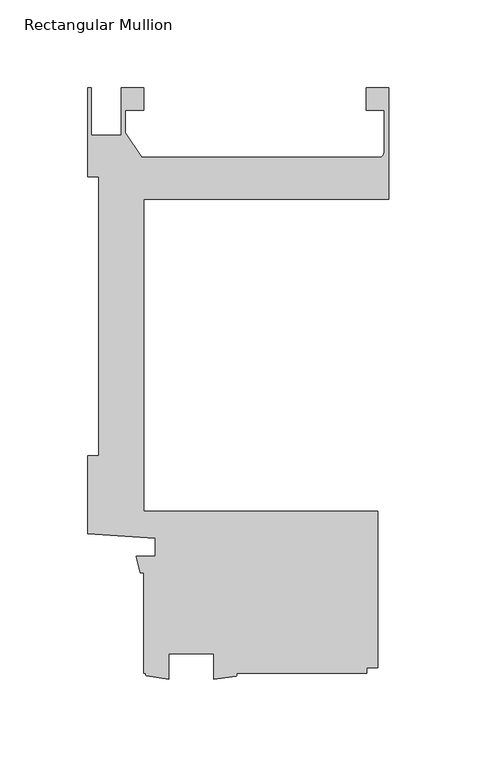
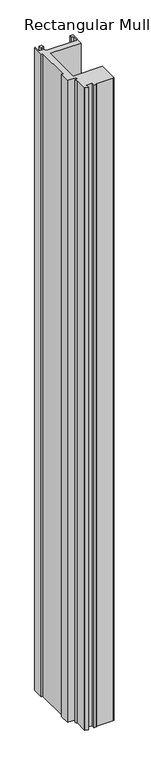
"""IFC4 building model written with IfcOpenShell, lengths in millimetres: member geometry, Rectangular Mullion."""

import ifcopenshell
import ifcopenshell.guid

model = None  # the IFC model being written
_history = None  # IfcOwnerHistory: only IFC2X3 demands one
_inside = {}  # id of a spatial element -> (the spatial element, [elements in it])
_under = {}  # id of a project, library or spatial element -> (it, [spatial elements below it])
_declared = {}  # id of a project -> (the project, [libraries it declares])
_typed = {}  # id of a type object -> (the type object, [elements of that type])
_made_of = {}  # id of a material, layer set ... -> (it, [elements and type objects made of it])


def new_model(schema):
    """Start an empty IFC model of exactly this schema.

    Asked for "IFC4X3", IfcOpenShell would pick the latest addendum, in which some entities
    have other attributes; the version numbers below select the first issue.
    IFC2X3 requires an IfcOwnerHistory on every rooted entity: one is made here for all.
    """
    global model, _history
    if schema == "IFC4X3":
        model = ifcopenshell.file(schema_version=(4, 3, 0, 0))
    else:
        model = ifcopenshell.file(schema=schema)
    _inside.clear()
    _under.clear()
    _declared.clear()
    _typed.clear()
    _made_of.clear()
    _history = None
    if model.schema == "IFC2X3":
        org = make("IfcOrganization", Name="unknown")
        user = make(
            "IfcPersonAndOrganization",
            ThePerson=make("IfcPerson", FamilyName="unknown"),
            TheOrganization=org,
        )
        app = make(
            "IfcApplication",
            ApplicationDeveloper=org,
            Version="unknown",
            ApplicationFullName="unknown",
            ApplicationIdentifier="unknown",
        )
        _history = make(
            "IfcOwnerHistory",
            OwningUser=user,
            OwningApplication=app,
            ChangeAction="ADDED",
            CreationDate=0,
        )
    return model


def make(cls, **values):
    """One entity of the class cls with the attributes given. An attribute that is None is left unset."""
    return model.create_entity(
        cls, **{name: value for name, value in values.items() if value is not None}
    )


def rooted(cls, **values):
    """An entity with a GlobalId (a new one), such as an element, a storey or a relation."""
    return make(cls, GlobalId=ifcopenshell.guid.new(), OwnerHistory=_history, **values)


def si_unit(unit_type, name, prefix=None):
    """IfcSIUnit, for example si_unit("LENGTHUNIT", "METRE", prefix="MILLI")."""
    return make("IfcSIUnit", UnitType=unit_type, Prefix=prefix, Name=name)


def assignment(units):
    """IfcUnitAssignment: the units of a project."""
    return None if units is None else make("IfcUnitAssignment", Units=units)


def point(xyz):
    """IfcCartesianPoint."""
    return None if xyz is None else make("IfcCartesianPoint", Coordinates=xyz)


def direction(xyz):
    """IfcDirection."""
    return None if xyz is None else make("IfcDirection", DirectionRatios=xyz)


def frame(location, z_axis=None, x_axis=None):
    """IfcAxis2Placement3D, a coordinate frame: its origin and axes. An axis left out is left unset."""
    return make(
        "IfcAxis2Placement3D",
        Location=point(location),
        Axis=direction(z_axis),
        RefDirection=direction(x_axis),
    )


def frame_2d(location, x_axis=None):
    """IfcAxis2Placement2D, a coordinate frame in the plane: its origin and x axis."""
    return make(
        "IfcAxis2Placement2D", Location=point(location), RefDirection=direction(x_axis)
    )


def origin():
    """The frame at (0, 0, 0) with its axes left unset."""
    return frame((0.0, 0.0, 0.0))


def place(relative_to, where):
    """IfcLocalPlacement: puts the frame where relative to a parent placement (None: the world)."""
    return make(
        "IfcLocalPlacement", PlacementRelTo=relative_to, RelativePlacement=where
    )


def context(
    kind, dimensions, precision=None, world=None, true_north=None, identifier=None
):
    """IfcGeometricRepresentationContext, for example the 3D "Model" context."""
    return make(
        "IfcGeometricRepresentationContext",
        ContextIdentifier=identifier,
        ContextType=kind,
        CoordinateSpaceDimension=dimensions,
        Precision=precision,
        WorldCoordinateSystem=world,
        TrueNorth=true_north,
    )


def project(units=None, contexts=None):
    """IfcProject with its units and contexts."""
    return rooted(
        "IfcProject",
        Name="project",
        RepresentationContexts=contexts,
        UnitsInContext=assignment(units),
    )


def spatial(cls, under=None, at=None, **own):
    """A site, building, storey or space (cls), placed at a placement, below another one or the project."""
    s = rooted(cls, ObjectPlacement=at, **own)
    if under is not None:
        _under.setdefault(under.id(), (under, []))[1].append(s)
    return s


def polyline(points):
    """IfcPolyline through the points."""
    return make("IfcPolyline", Points=[point(p) for p in points])


def circle_curve(where, radius):
    """IfcCircle in the frame where."""
    return make("IfcCircle", Position=where, Radius=radius)


def trimmed(basis, trim1, trim2, sense, master):
    """IfcTrimmedCurve: the piece of a basis curve between two trims."""
    return make(
        "IfcTrimmedCurve",
        BasisCurve=basis,
        Trim1=trim1,
        Trim2=trim2,
        SenseAgreement=sense,
        MasterRepresentation=master,
    )


def segment(curve, same_sense, transition):
    """IfcCompositeCurveSegment."""
    return make(
        "IfcCompositeCurveSegment",
        Transition=transition,
        SameSense=same_sense,
        ParentCurve=curve,
    )


def composite_curve(segments, self_intersect=None):
    """IfcCompositeCurve: segments joined end to end."""
    return make("IfcCompositeCurve", Segments=segments, SelfIntersect=self_intersect)


def outline(outer, holes=None, kind="AREA"):
    """IfcArbitraryClosedProfileDef: a profile drawn as a closed curve; with holes, ...WithVoids."""
    if holes is None:
        return make("IfcArbitraryClosedProfileDef", ProfileType=kind, OuterCurve=outer)
    return make(
        "IfcArbitraryProfileDefWithVoids",
        ProfileType=kind,
        OuterCurve=outer,
        InnerCurves=holes,
    )


def extrude(swept, where, along, depth):
    """IfcExtrudedAreaSolid: the profile swept, set in the frame where, extruded along a direction by depth."""
    return make(
        "IfcExtrudedAreaSolid",
        SweptArea=swept,
        Position=where,
        ExtrudedDirection=direction(along),
        Depth=depth,
    )


def shape(context_of_items, identifier, shape_type, items):
    """IfcShapeRepresentation: the items that make up one representation, for example the "Body"."""
    return make(
        "IfcShapeRepresentation",
        ContextOfItems=context_of_items,
        RepresentationIdentifier=identifier,
        RepresentationType=shape_type,
        Items=items,
    )


def source(mapping_origin, context_of_items, identifier, shape_type, items):
    """IfcRepresentationMap: a shape defined once, which mapped items show again and again."""
    return make(
        "IfcRepresentationMap",
        MappingOrigin=mapping_origin,
        MappedRepresentation=shape(context_of_items, identifier, shape_type, items),
    )


def transform(
    local_origin,
    x_axis=None,
    y_axis=None,
    z_axis=None,
    scale=None,
    scale2=None,
    scale3=None,
    uniform=True,
):
    """IfcCartesianTransformationOperator3D, or its non-uniform kind. x_axis, y_axis, z_axis: its Axis1, 2, 3."""
    if uniform:
        return make(
            "IfcCartesianTransformationOperator3D",
            Axis1=direction(x_axis),
            Axis2=direction(y_axis),
            LocalOrigin=point(local_origin),
            Scale=scale,
            Axis3=direction(z_axis),
        )
    return make(
        "IfcCartesianTransformationOperator3DnonUniform",
        Axis1=direction(x_axis),
        Axis2=direction(y_axis),
        LocalOrigin=point(local_origin),
        Scale=scale,
        Axis3=direction(z_axis),
        Scale2=scale2,
        Scale3=scale3,
    )


def mapped(mapping_source, mapping_target):
    """IfcMappedItem: shows the shape of a source again, moved by a transform."""
    return make(
        "IfcMappedItem", MappingSource=mapping_source, MappingTarget=mapping_target
    )


def made_of(thing, what):
    """Note that an element or type object is made of a material, layer set ...; save() writes the relation."""
    if what is not None:
        _made_of.setdefault(what.id(), (what, []))[1].append(thing)
    return thing


def element(
    cls,
    number,
    at=None,
    inside=None,
    cuts=None,
    type_object=None,
    material=None,
    context=None,
    identifier="Body",
    shape_type=None,
    held_by="IfcProductDefinitionShape",
    body=None,
    shapes=None,
    **own,
):
    """One element of the class cls, such as IfcWall. Its Tag is "e" and its number.

    at: its placement. inside: the storey or other place that contains it. cuts: it is an
    opening in that element (IfcRelVoidsElement). A single representation is given by context,
    identifier, shape_type and body (its items); several are given by shapes. held_by: the class
    of the entity that holds the representations. save() writes the other relations.
    """
    e = rooted(cls, Tag="e%d" % number, ObjectPlacement=at, **own)
    if body is not None:
        shapes = [shape(context, identifier, shape_type, body)]
    if shapes is not None:
        e.Representation = make(held_by, Representations=shapes)
    if inside is not None:
        _inside.setdefault(inside.id(), (inside, []))[1].append(e)
    if cuts is not None:
        rooted(
            "IfcRelVoidsElement", RelatingBuildingElement=cuts, RelatedOpeningElement=e
        )
    if type_object is not None:
        _typed.setdefault(type_object.id(), (type_object, []))[1].append(e)
    return made_of(e, material)


def aggregate(whole, parts):
    """IfcRelAggregates: a whole, such as a stair, and the parts it consists of."""
    return rooted("IfcRelAggregates", RelatingObject=whole, RelatedObjects=parts)


def save(model, path):
    """Write the relations noted so far, then the file.

    IfcRelAggregates (storeys below a building ...), IfcRelContainedInSpatialStructure (elements
    in a storey), IfcRelDefinesByType, IfcRelAssociatesMaterial and IfcRelDeclares: one each for
    every whole, place, type object, material and project.
    """
    for whole, parts in _under.values():
        aggregate(whole, parts)
    for where, things in _inside.values():
        rooted(
            "IfcRelContainedInSpatialStructure",
            RelatedElements=things,
            RelatingStructure=where,
        )
    for kind, things in _typed.values():
        rooted("IfcRelDefinesByType", RelatedObjects=things, RelatingType=kind)
    for what, things in _made_of.values():
        rooted("IfcRelAssociatesMaterial", RelatedObjects=things, RelatingMaterial=what)
    for by, libraries in _declared.values():
        rooted("IfcRelDeclares", RelatingContext=by, RelatedDefinitions=libraries)
    model.write(path)


def rectangular_mullion_d4ff7612(model_context):
    return source(origin(), model_context, "Body", "SweptSolid", [
        extrude(outline(composite_curve([segment(polyline([(-139.6770294, 241.2999996), (-139.6770294, 228.6254), (-149.9773426, 228.6254), (-149.9773426, 215.5945453), (-140.6789127, 201.5997996), (-4.3676768, 201.5997996)]), True, "CONTINUOUS"), segment(trimmed(circle_curve(frame_2d((-8.89, 206.0575)), 6.35), [point((-4.3676768, 201.5997996))], [point((-2.54, 206.0575))], True, "CARTESIAN"), True, "CONTINUOUS"), segment(polyline([(-2.54, 206.0575), (-2.54, 228.5746), (-12.720056, 228.5746), (-12.720056, 241.2746), (0.0, 241.2746), (0.0, 177.8), (-139.7010309, 177.8), (-139.7010309, 0.0), (-6.3510934, 0.0), (-6.3510934, -88.899973), (-12.7010309, -88.899973), (-12.7010309, -92.075127), (-87.0244531, -92.075127)]), True, "CONTINUOUS"), segment(trimmed(circle_curve(frame_2d((-87.473069, -92.9068292)), 0.9449787), [point((-87.0244531, -92.075127))], [point((-87.0244531, -93.7385314))], False, "CARTESIAN"), True, "CONTINUOUS"), segment(polyline([(-87.0244531, -93.7385314), (-99.7975059, -95.5946487), (-99.7975059, -80.962627), (-125.1975059, -80.962627), (-125.1975059, -95.471127), (-137.9687934, -93.6610233)]), True, "CONTINUOUS"), segment(trimmed(circle_curve(frame_2d((-137.5717772, -92.8680751)), 0.8867855), [point((-137.9687934, -93.6610233))], [point((-137.9687934, -92.075127))], False, "CARTESIAN"), True, "CONTINUOUS"), segment(polyline([(-137.9687934, -92.075127), (-139.7010309, -92.075127), (-139.7010309, -34.925), (-141.4322951, -34.925), (-143.8744778, -25.4), (-133.0838609, -25.4), (-133.0838609, -15.24), (-171.4510934, -12.5822928), (-171.4510934, 31.75), (-165.3374495, 31.75), (-165.3374495, 190.4999996), (-171.4499999, 190.4999996), (-171.4499999, 241.2999996), (-169.4179999, 241.2999996), (-169.4179999, 214.1401991), (-152.5173426, 214.1401991), (-152.5173426, 241.2999996), (-139.6770294, 241.2999996)]), True, "CONTINUOUS")], self_intersect=False)), frame((0.0, 0.0, -3048.0), z_axis=(0.0, 0.0, 1.0), x_axis=(1.0, 0.0, 0.0)), (0.0, 0.0, 1.0), 3048.0),
    ])


if __name__ == "__main__":
    model = new_model("IFC4")
    model_context = context("Model", 3, world=origin())
    ifc_project = project(units=[si_unit("LENGTHUNIT", "METRE", prefix="MILLI")], contexts=[model_context])
    site = spatial("IfcSite", under=ifc_project)
    building = spatial("IfcBuilding", under=site)
    placement = place(None, origin())
    rectangular_mullion_shape = rectangular_mullion_d4ff7612(model_context)
    element("IfcMember", 1, ObjectType="Rectangular Mullion", at=placement, inside=building, context=model_context, shape_type="MappedRepresentation", body=[
        mapped(rectangular_mullion_shape, transform((0.0, 0.0, 0.0), x_axis=(1.0, 0.0, 0.0), y_axis=(0.0, 1.0, 0.0), z_axis=(0.0, 0.0, 1.0))),
    ])
    save(model, "model.ifc")
